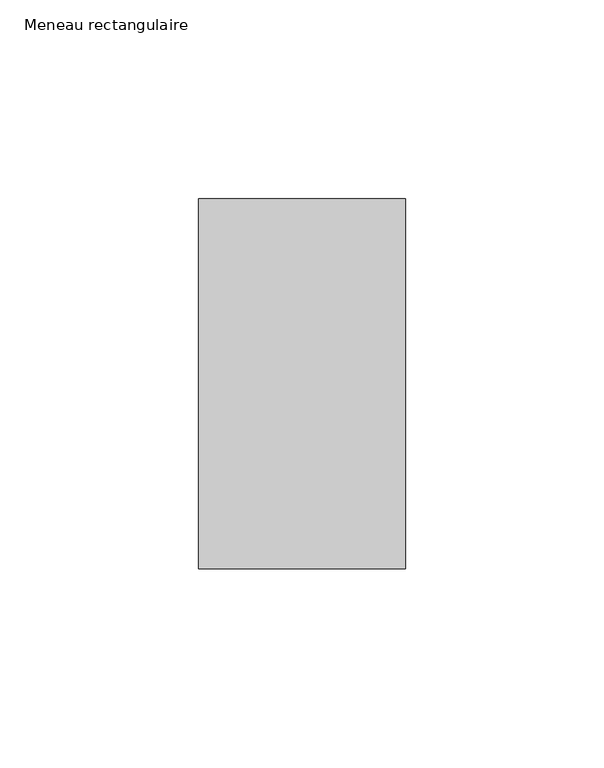
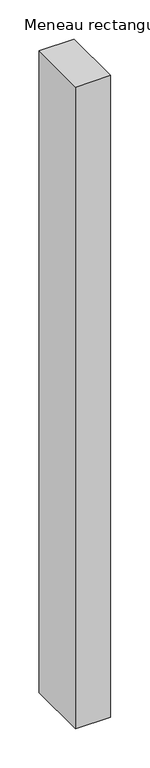
"""IFC4 building model written with IfcOpenShell, lengths in millimetres: member geometry, Meneau rectangulaire."""

from ifc_helpers import new_model, si_unit, frame, origin, place, context, project, spatial, polyline, outline, extrude, source, transform, mapped, element, save


def meneau_rectangulaire_e31902ae(model_context):
    return source(origin(), model_context, "Body", "SweptSolid", [
        extrude(outline(polyline([(0.0, 46.5), (0.0, -46.5), (-52.0, -46.5), (-52.0, 46.5), (0.0, 46.5)])), frame((0.0, 0.0, -1000.0), z_axis=(0.0, 0.0, 1.0), x_axis=(1.0, 0.0, 0.0)), (0.0, 0.0, 1.0), 1000.0),
    ])


if __name__ == "__main__":
    model = new_model("IFC4")
    model_context = context("Model", 3, world=origin())
    ifc_project = project(units=[si_unit("LENGTHUNIT", "METRE", prefix="MILLI")], contexts=[model_context])
    site = spatial("IfcSite", under=ifc_project)
    building = spatial("IfcBuilding", under=site)
    placement = place(None, origin())
    meneau_rectangulaire_shape = meneau_rectangulaire_e31902ae(model_context)
    element("IfcMember", 1, ObjectType="Meneau rectangulaire", at=placement, inside=building, context=model_context, shape_type="MappedRepresentation", body=[
        mapped(meneau_rectangulaire_shape, transform((0.0, 0.0, 0.0), x_axis=(1.0, 0.0, 0.0), y_axis=(0.0, 1.0, 0.0), z_axis=(0.0, 0.0, 1.0))),
    ])
    save(model, "model.ifc")
